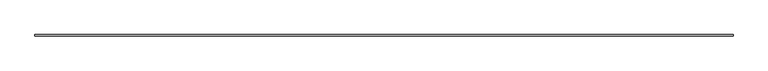
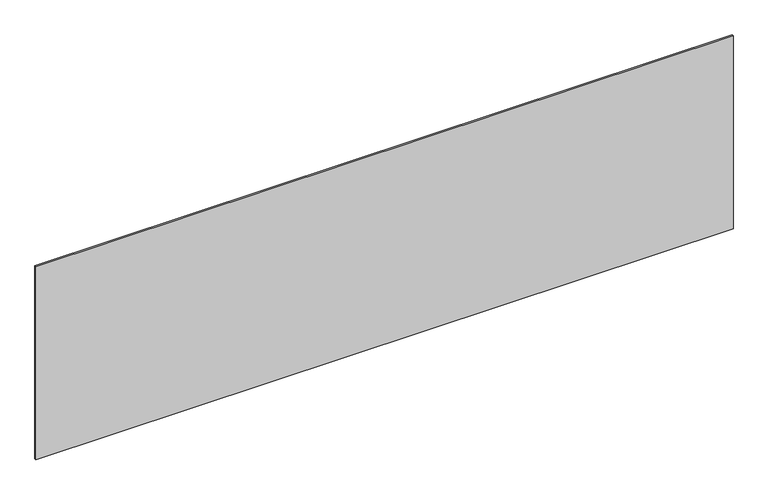
"""IFC4 building model written with IfcOpenShell, lengths in millimetres: plate geometry."""

from ifc_helpers import new_model, si_unit, origin, origin_with_axes, place, context, project, spatial, polyline, outline, extrude, source, transform, mapped, element, save


def plate_b12108fd(model_context):
    return source(origin(), model_context, "Body", "SweptSolid", [
        extrude(outline(polyline([(2264.1666667, -5.0), (-2264.1666667, -5.0), (-2264.1666667, 5.0), (2264.1666667, 5.0), (2264.1666667, -5.0)])), origin_with_axes(), (0.0, 0.0, 1.0), 1325.4316357),
    ])


if __name__ == "__main__":
    model = new_model("IFC4")
    model_context = context("Model", 3, world=origin())
    ifc_project = project(units=[si_unit("LENGTHUNIT", "METRE", prefix="MILLI")], contexts=[model_context])
    site = spatial("IfcSite", under=ifc_project)
    building = spatial("IfcBuilding", under=site)
    placement = place(None, origin())
    plate_shape = plate_b12108fd(model_context)
    element("IfcPlate", 1, at=placement, inside=building, context=model_context, shape_type="MappedRepresentation", body=[
        mapped(plate_shape, transform((0.0, 0.0, 0.0), x_axis=(1.0, 0.0, 0.0), y_axis=(0.0, 1.0, 0.0), z_axis=(0.0, 0.0, 1.0))),
    ])
    save(model, "model.ifc")
